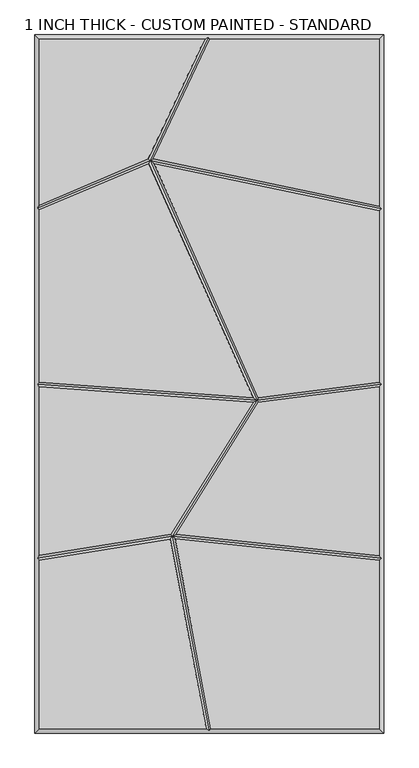
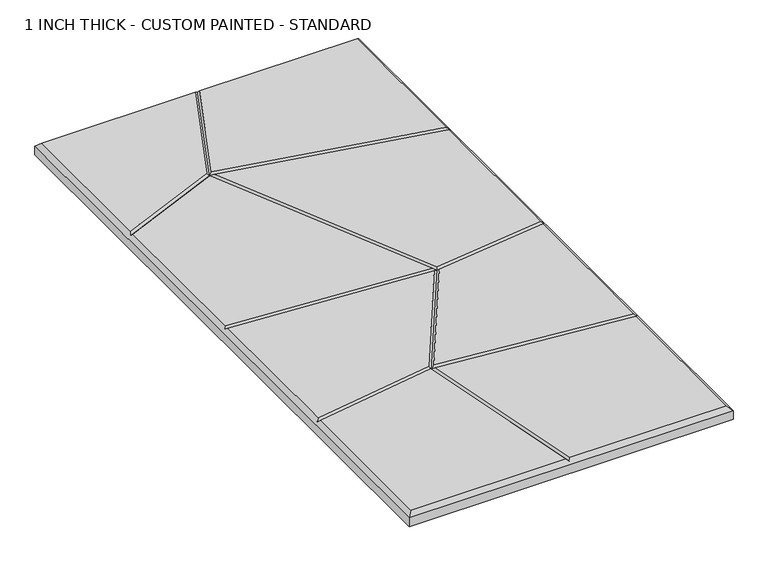
"""IFC4 building model written with IfcOpenShell, lengths in millimetres: proxy geometry, 1 INCH THICK - CUSTOM PAINTED - STANDARD."""

from ifc_helpers import new_model, si_unit, origin, place, context, project, spatial, faceted_brep, source, transform, mapped, element, save


def proxy_1_inch_thick_custom_painted_standard_ab588ad8(model_context):
    return source(origin(), model_context, "Body", "Brep", [
        faceted_brep([(-8.2028961, 601.599, 25.4), (-296.799, 601.599, 25.4), (-296.799, 312.5432369, 25.4), (-106.5730663, 393.3098245, 25.4), (-296.799, -601.599, 25.4), (-5.5875044, -601.599, 25.4), (-68.2811687, -270.685629, 25.4), (-296.799, -307.5611441, 25.4), (296.799, 601.599, 25.4), (0.6455208, 601.599, 25.4), (-97.8234472, 393.1006299, 25.4), (296.799, 310.5605776, 25.4), (2.5558226, -601.599, 25.4), (296.799, -601.599, 25.4), (296.799, -307.9855233, 25.4), (-60.1438104, -270.6541244, 25.4), (296.799, 302.386434, 25.4), (-96.7636582, 384.7048187, 25.4), (85.535097, -23.8552953, 25.4), (296.799, 3.0150912, 25.4), (-105.6591812, 385.0055382, 25.4), (-296.799, 303.850931, 25.4), (-296.799, 3.4294067, 25.4), (76.7151864, -23.7240351, 25.4), (296.799, -5.0503652, 25.4), (85.483213, -31.9273507, 25.4), (-58.2987801, -262.8024498, 25.4), (296.799, -299.9408835, 25.4), (76.1939437, -31.7082565, 25.4), (-296.799, -4.5927076, 25.4), (-296.799, -299.4566417, 25.4), (-67.5090689, -262.4565343, 25.4), (-304.8, 609.6, 0.0), (304.8, 609.6, 0.0), (304.8, -609.6, 0.0), (-304.8, -609.6, 0.0), (-304.8, -609.6, 17.399), (-304.8, 609.6, 17.399), (304.8, -609.6, 17.399), (304.8, 609.6, 17.399), (-1.8893438, 605.5995, 21.3995), (-300.7995, -304.1544464, 21.3995), (-300.7995, -0.2908252, 21.3995), (-300.7995, 306.498542, 21.3995), (-0.7579204, -605.5995, 21.3995), (300.7995, 305.6367529, 21.3995), (300.7995, -0.5088185, 21.3995), (300.7995, -304.3816017, 21.3995), (-65.0752426, -266.1160433, 21.3995), (83.0924453, -28.1987012, 21.3995), (-103.6066104, 390.2231766, 21.3995)], [[[0, 1, 2, 3]], [[4, 5, 6, 7]], [[8, 9, 10, 11]], [[12, 13, 14, 15]], [[16, 17, 18, 19]], [[20, 21, 22, 23]], [[24, 25, 26, 27]], [[28, 29, 30, 31]], [[32, 33, 34, 35]], [[32, 35, 36, 37]], [[35, 34, 38, 36]], [[34, 33, 39, 38]], [[33, 32, 37, 39]], [[37, 1, 0, 40, 9, 8, 39]], [[1, 37, 36, 4, 7, 41, 30, 29, 42, 22, 21, 43, 2]], [[4, 36, 38, 13, 12, 44, 5]], [[39, 8, 11, 45, 16, 19, 46, 24, 27, 47, 14, 13, 38]], [[44, 48, 6, 5]], [[48, 44, 12, 15]], [[48, 49, 28, 31]], [[49, 48, 26, 25]], [[49, 50, 20, 23]], [[50, 49, 18, 17]], [[50, 40, 0, 3]], [[40, 50, 10, 9]], [[45, 50, 17, 16]], [[50, 45, 11, 10]], [[50, 43, 21, 20]], [[43, 50, 3, 2]], [[46, 49, 25, 24]], [[49, 46, 19, 18]], [[49, 42, 29, 28]], [[42, 49, 23, 22]], [[47, 48, 15, 14]], [[48, 47, 27, 26]], [[48, 41, 7, 6]], [[41, 48, 31, 30]]]),
    ])


if __name__ == "__main__":
    model = new_model("IFC4")
    model_context = context("Model", 3, world=origin())
    ifc_project = project(units=[si_unit("LENGTHUNIT", "METRE", prefix="MILLI")], contexts=[model_context])
    site = spatial("IfcSite", under=ifc_project)
    building = spatial("IfcBuilding", under=site)
    placement = place(None, origin())
    proxy_1_inch_thick_custom_painted_standard_shape = proxy_1_inch_thick_custom_painted_standard_ab588ad8(model_context)
    element("IfcBuildingElementProxy", 1, Name="1 INCH THICK - CUSTOM PAINTED - STANDARD", ObjectType="1 INCH THICK - CUSTOM PAINTED - STANDARD", at=placement, inside=building, context=model_context, shape_type="MappedRepresentation", body=[
        mapped(proxy_1_inch_thick_custom_painted_standard_shape, transform((0.0, 0.0, 0.0), x_axis=(1.0, 0.0, 0.0), y_axis=(0.0, 1.0, 0.0), z_axis=(0.0, 0.0, 1.0))),
    ])
    save(model, "model.ifc")
